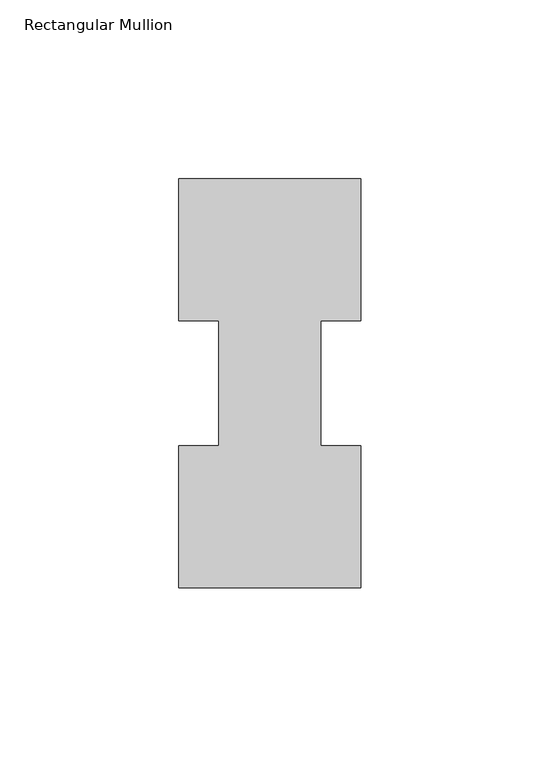
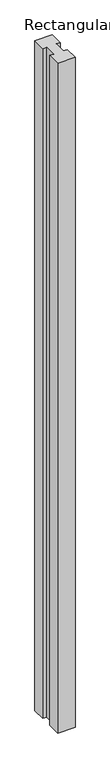
"""IFC4 building model written with IfcOpenShell, lengths in millimetres: member geometry, Rectangular Mullion."""

from ifc_helpers import new_model, si_unit, frame, origin, place, context, project, spatial, polyline, outline, extrude, source, transform, mapped, element, save


def rectangular_mullion_11f769c7(model_context):
    return source(origin(), model_context, "Body", "SweptSolid", [
        extrude(outline(polyline([(25.4, 114.2714251), (25.4, 74.596625), (14.2874997, 74.596625), (14.2874997, 39.646225), (25.3999997, 39.646225), (25.3999997, -0.0285749), (-25.4, -0.0285749), (-25.4, 39.6462251), (-14.2875003, 39.6462251), (-14.2875003, 74.5966251), (-25.4, 74.5966251), (-25.4, 114.2714251), (25.4, 114.2714251)])), frame((0.0, 0.0, -2060.575), z_axis=(0.0, 0.0, 1.0), x_axis=(1.0, 0.0, 0.0)), (0.0, 0.0, 1.0), 2060.575),
    ])


if __name__ == "__main__":
    model = new_model("IFC4")
    model_context = context("Model", 3, world=origin())
    ifc_project = project(units=[si_unit("LENGTHUNIT", "METRE", prefix="MILLI")], contexts=[model_context])
    site = spatial("IfcSite", under=ifc_project)
    building = spatial("IfcBuilding", under=site)
    placement = place(None, origin())
    rectangular_mullion_shape = rectangular_mullion_11f769c7(model_context)
    element("IfcMember", 1, ObjectType="Rectangular Mullion", at=placement, inside=building, context=model_context, shape_type="MappedRepresentation", body=[
        mapped(rectangular_mullion_shape, transform((0.0, 0.0, 0.0), x_axis=(1.0, 0.0, 0.0), y_axis=(0.0, 1.0, 0.0), z_axis=(0.0, 0.0, 1.0))),
    ])
    save(model, "model.ifc")
